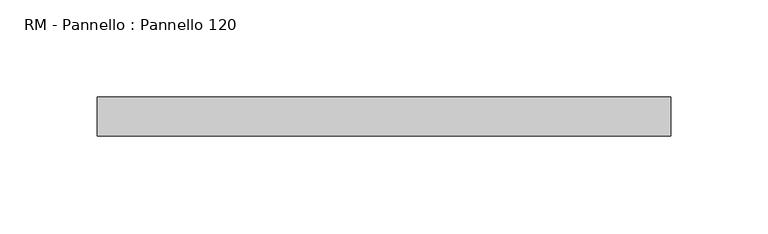
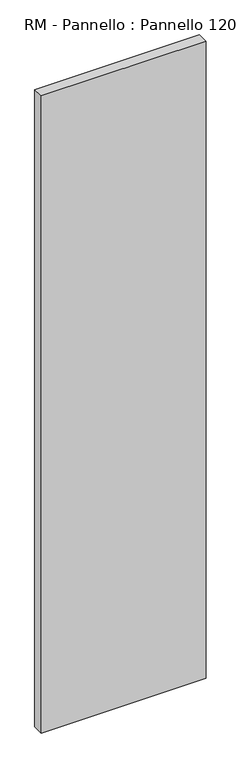
"""IFC4 building model written with IfcOpenShell, lengths in millimetres: plate geometry, RM - Pannello : Pannello 120."""

from ifc_helpers import new_model, si_unit, origin, origin_with_axes, place, context, project, spatial, polyline, outline, extrude, source, transform, mapped, element, save


def rm_pannello_pannello_120_579e35ed(model_context):
    return source(origin(), model_context, "Body", "SweptSolid", [
        extrude(outline(polyline([(147.0, 200.0), (147.0, 180.0), (-147.0, 180.0), (-147.0, 200.0), (147.0, 200.0)])), origin_with_axes(), (0.0, 0.0, 1.0), 1200.0),
    ])


if __name__ == "__main__":
    model = new_model("IFC4")
    model_context = context("Model", 3, world=origin())
    ifc_project = project(units=[si_unit("LENGTHUNIT", "METRE", prefix="MILLI")], contexts=[model_context])
    site = spatial("IfcSite", under=ifc_project)
    building = spatial("IfcBuilding", under=site)
    placement = place(None, origin())
    rm_pannello_pannello_120_shape = rm_pannello_pannello_120_579e35ed(model_context)
    element("IfcPlate", 1, ObjectType="RM - Pannello : Pannello 120", at=placement, inside=building, context=model_context, shape_type="MappedRepresentation", body=[
        mapped(rm_pannello_pannello_120_shape, transform((0.0, 0.0, 0.0), x_axis=(1.0, 0.0, 0.0), y_axis=(0.0, 1.0, 0.0), z_axis=(0.0, 0.0, 1.0))),
    ])
    save(model, "model.ifc")
